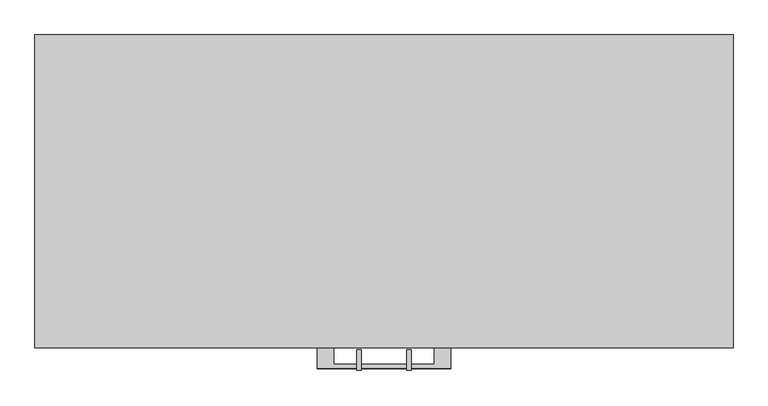
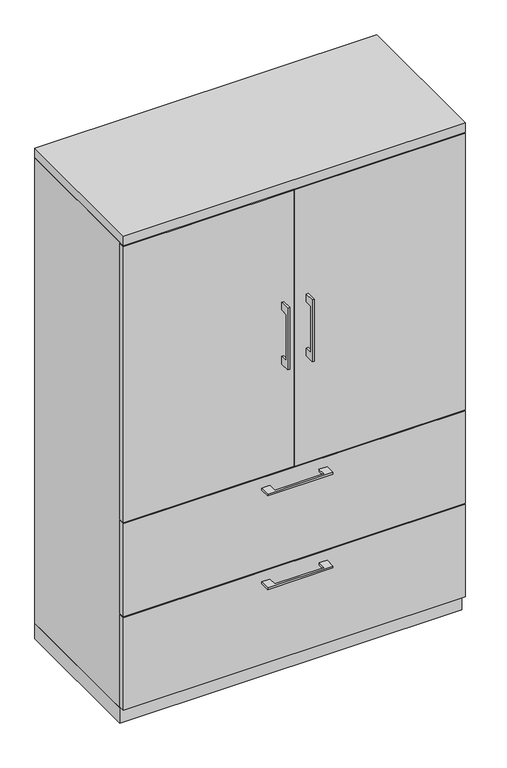
"""IFC4 building model written with IfcOpenShell, lengths in millimetres: furniture geometry."""

from ifc_helpers import new_model, si_unit, frame, origin, origin_with_axes, place, context, project, spatial, polyline, outline, extrude, source, transform, mapped, element, save


def furniture_9b3489ef(model_context):
    return source(origin(), model_context, "Body", "SweptSolid", [
        extrude(outline(polyline([(512.7625, -19.05), (512.7625, -457.2), (-512.7625, -457.2), (-512.7625, -19.05), (512.7625, -19.05)])), frame((0.0, 0.0, 1267.8833333), z_axis=(0.0, 0.0, 1.0), x_axis=(1.0, 0.0, 0.0)), (0.0, 0.0, 1.0), 19.05),
        extrude(outline(polyline([(-479.425, 1200.15), (-504.8249758, 1200.15), (-504.8249758, 1047.75), (-479.425, 1047.75), (-479.425, 1022.35), (-511.1749879, 1022.35), (-511.1749879, 1225.55), (-479.425, 1225.55), (-479.425, 1200.15)])), frame((-41.2749879, 0.0, 0.0), z_axis=(1.0, 0.0, 0.0), x_axis=(0.0, 1.0, 0.0)), (0.0, 0.0, 1.0), 6.3499758),
        extrude(outline(polyline([(-531.8125, -476.25), (-531.8125, -457.2), (-1.5875, -457.2), (-1.5875, -476.25), (-531.8125, -476.25)])), frame((0.0, 0.0, 669.925), z_axis=(0.0, 0.0, 1.0), x_axis=(1.0, 0.0, 0.0)), (0.0, 0.0, 1.0), 908.05),
        extrude(outline(polyline([(-479.425, 1200.15), (-504.8249758, 1200.15), (-504.8249758, 1047.75), (-479.425, 1047.75), (-479.425, 1022.35), (-511.1749879, 1022.35), (-511.1749879, 1225.55), (-479.425, 1225.55), (-479.425, 1200.15)])), frame((34.9250121, 0.0, 0.0), z_axis=(1.0, 0.0, 0.0), x_axis=(0.0, 1.0, 0.0)), (0.0, 0.0, 1.0), 6.3499758),
        extrude(outline(polyline([(531.8125, -476.25), (1.5875, -476.25), (1.5875, -457.2), (531.8125, -457.2), (531.8125, -476.25)])), frame((0.0, 0.0, 669.925), z_axis=(0.0, 0.0, 1.0), x_axis=(1.0, 0.0, 0.0)), (0.0, 0.0, 1.0), 908.05),
        extrude(outline(polyline([(512.7625, -19.05), (512.7625, -457.2), (-512.7625, -457.2), (-512.7625, -19.05), (512.7625, -19.05)])), frame((0.0, 0.0, 964.1416667), z_axis=(0.0, 0.0, 1.0), x_axis=(1.0, 0.0, 0.0)), (0.0, 0.0, 1.0), 19.05),
        extrude(outline(polyline([(-76.1999818, -476.25), (-76.1999818, -501.6499758), (76.2, -501.6499758), (76.2, -476.25), (101.5999939, -476.25), (101.5999939, -507.9999879), (-101.5999939, -507.9999879), (-101.5999939, -476.25), (-76.1999818, -476.25)])), frame((0.0, 0.0, 627.0625506), z_axis=(0.0, 0.0, 1.0), x_axis=(1.0, 0.0, 0.0)), (0.0, 0.0, 1.0), 6.3499758),
        extrude(outline(polyline([(531.8125, -457.2), (531.8125, -476.25), (-531.8125, -476.25), (-531.8125, -457.2), (531.8125, -457.2)])), frame((0.0, 0.0, 361.95), z_axis=(0.0, 0.0, 1.0), x_axis=(1.0, 0.0, 0.0)), (0.0, 0.0, 1.0), 304.8),
        extrude(outline(polyline([(-76.1999818, -476.25), (-76.1999818, -501.6499758), (76.2, -501.6499758), (76.2, -476.25), (101.5999939, -476.25), (101.5999939, -507.9999879), (-101.5999939, -507.9999879), (-101.5999939, -476.25), (-76.1999818, -476.25)])), frame((0.0, 0.0, 319.0875506), z_axis=(0.0, 0.0, 1.0), x_axis=(1.0, 0.0, 0.0)), (0.0, 0.0, 1.0), 6.3499758),
        extrude(outline(polyline([(531.8125, -457.2), (531.8125, -476.25), (-531.8125, -476.25), (-531.8125, -457.2), (531.8125, -457.2)])), frame((0.0, 0.0, 53.975), z_axis=(0.0, 0.0, 1.0), x_axis=(1.0, 0.0, 0.0)), (0.0, 0.0, 1.0), 304.8),
        extrude(outline(polyline([(512.7625, -19.05), (512.7625, -457.2), (-512.7625, -457.2), (-512.7625, -19.05), (512.7625, -19.05)])), frame((0.0, 0.0, 50.8), z_axis=(0.0, 0.0, 1.0), x_axis=(1.0, 0.0, 0.0)), (0.0, 0.0, 1.0), 619.125),
        extrude(outline(polyline([(-531.8125, 0.0), (531.8125, 0.0), (531.8125, -457.2), (512.7625, -457.2), (512.7625, -19.05), (-512.7625, -19.05), (-512.7625, -457.2), (-531.8125, -457.2), (-531.8125, 0.0)])), frame((0.0, 0.0, 50.8), z_axis=(0.0, 0.0, 1.0), x_axis=(1.0, 0.0, 0.0)), (0.0, 0.0, 1.0), 1530.35),
        extrude(outline(polyline([(531.8125, 0.0), (531.8125, -476.25), (-531.8125, -476.25), (-531.8125, 0.0), (531.8125, 0.0)])), frame((0.0, 0.0, 1581.15), z_axis=(0.0, 0.0, 1.0), x_axis=(1.0, 0.0, 0.0)), (0.0, 0.0, 1.0), 31.75),
        extrude(outline(polyline([(531.8125, 0.0), (531.8125, -457.2), (-531.8125, -457.2), (-531.8125, 0.0), (531.8125, 0.0)])), origin_with_axes(), (0.0, 0.0, 1.0), 50.8),
    ])


if __name__ == "__main__":
    model = new_model("IFC4")
    model_context = context("Model", 3, world=origin())
    ifc_project = project(units=[si_unit("LENGTHUNIT", "METRE", prefix="MILLI")], contexts=[model_context])
    site = spatial("IfcSite", under=ifc_project)
    building = spatial("IfcBuilding", under=site)
    placement = place(None, origin())
    furniture_shape = furniture_9b3489ef(model_context)
    element("IfcFurniture", 1, at=placement, inside=building, context=model_context, shape_type="MappedRepresentation", body=[
        mapped(furniture_shape, transform((0.0, 0.0, 0.0), x_axis=(1.0, 0.0, 0.0), y_axis=(0.0, 1.0, 0.0), z_axis=(0.0, 0.0, 1.0))),
    ])
    save(model, "model.ifc")
